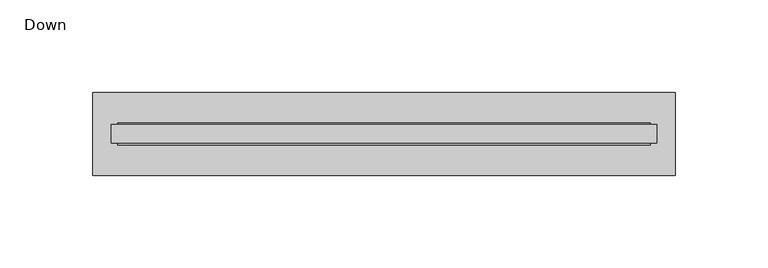
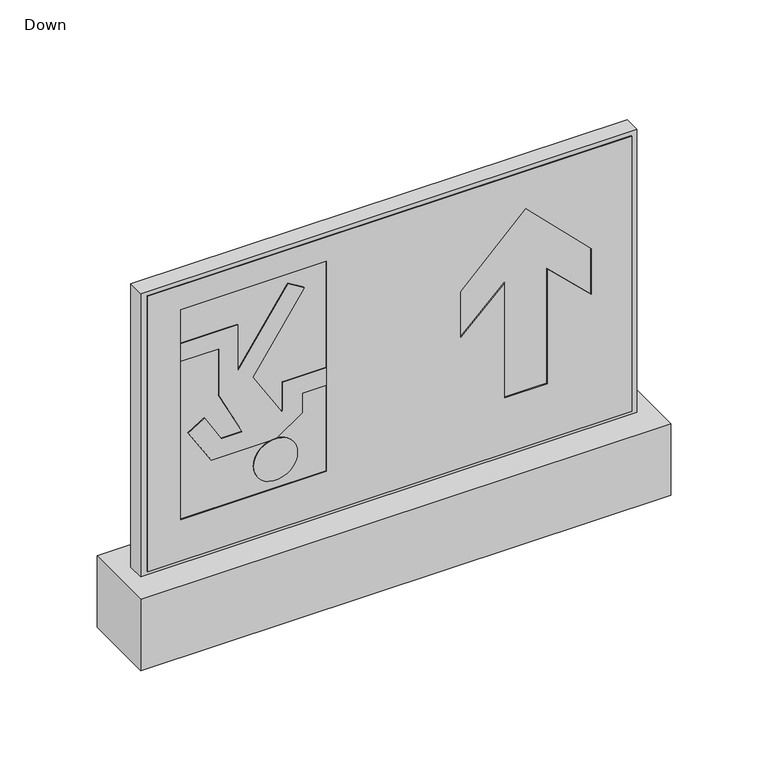
"""IFC4 building model written with IfcOpenShell, lengths in millimetres: light fixture geometry, Down."""

from ifc_helpers import new_model, si_unit, point, frame, frame_2d, origin, origin_with_axes, place, context, project, spatial, polyline, circle_curve, trimmed, segment, composite_curve, outline, extrude, source, transform, mapped, element, save


def down_f19adb04(model_context):
    return source(origin(), model_context, "Body", "SweptSolid", [
        extrude(outline(polyline([(147.5, 5.0), (147.5, -5.0), (-147.5, -5.0), (-147.5, 5.0), (147.5, 5.0)])), frame((0.0, 0.0, 45.0), z_axis=(0.0, 0.0, 1.0), x_axis=(1.0, 0.0, 0.0)), (0.0, 0.0, 1.0), 178.0),
        extrude(outline(polyline([(157.5, 22.5), (157.5, -22.5), (-157.5, -22.5), (-157.5, 22.5), (157.5, 22.5)])), origin_with_axes(), (0.0, 0.0, 1.0), 45.0),
        extrude(outline(composite_curve([segment(trimmed(circle_curve(frame_2d((91.4617049, -67.8544593)), 13.0), [point((91.4617049, -80.8544593))], [point((91.4617049, -54.8544593))], False, "CARTESIAN"), True, "CONTINUOUS"), segment(trimmed(circle_curve(frame_2d((91.4617049, -67.8544593)), 13.0), [point((91.4617049, -54.8544593))], [point((91.4617049, -80.8544593))], False, "CARTESIAN"), True, "CONTINUOUS")], self_intersect=False)), frame((0.0, -6.0, 0.0), z_axis=(0.0, 1.0, 0.0), x_axis=(0.0, 0.0, 1.0)), (0.0, 0.0, 1.0), 12.0),
        extrude(outline(polyline([(127.3976962, -52.0232796), (127.3976962, -37.6123637), (138.3976962, -37.6123637), (138.3976962, -63.6123637), (120.858827, -63.6123637), (120.2584024, -64.2127883), (147.9449912, -81.5132891), (193.5420577, -50.7576794), (199.3625192, -60.4445541), (154.8643683, -90.4589358), (183.8984821, -90.4589358), (183.8984821, -124.1079391), (172.8984821, -124.1079391), (172.8984821, -101.4589358), (142.8984821, -101.4589358), (115.7344261, -87.618158), (115.7344261, -100.1323433), (132.1954016, -110.0230953), (126.1388867, -119.7155451), (104.4617049, -106.1701386), (104.4617049, -67.8601632), (115.1438178, -52.0232796), (127.3976962, -52.0232796)])), frame((0.0, -6.0, 0.0), z_axis=(0.0, 1.0, 0.0), x_axis=(0.0, 0.0, 1.0)), (0.0, 0.0, 1.0), 12.0),
        extrude(outline(polyline([(47.5, -143.8582677), (47.5, 143.8582677), (220.5, 143.8582677), (220.5, -143.8582677), (47.5, -143.8582677)]), holes=[polyline([(196.96472, 80.9344351), (158.2229761, 119.676179), (129.6054739, 119.676179), (154.8241001, 93.5615272), (82.618089, 93.5615272), (82.618089, 68.3073429), (154.8241001, 68.3073429), (129.6054739, 42.1926911), (158.2229761, 42.1926911), (196.96472, 80.9344351)]), polyline([(73.3740017, -124.1079391), (205.3740017, -124.1079391), (205.3740017, -37.6123637), (73.3740017, -37.6123637), (73.3740017, -124.1079391)])]), frame((0.0, -6.0, 0.0), z_axis=(0.0, 1.0, 0.0), x_axis=(0.0, 0.0, 1.0)), (0.0, 0.0, 1.0), 12.0),
    ])


if __name__ == "__main__":
    model = new_model("IFC4")
    model_context = context("Model", 3, world=origin())
    ifc_project = project(units=[si_unit("LENGTHUNIT", "METRE", prefix="MILLI")], contexts=[model_context])
    site = spatial("IfcSite", under=ifc_project)
    building = spatial("IfcBuilding", under=site)
    placement = place(None, origin())
    down_shape = down_f19adb04(model_context)
    element("IfcLightFixture", 1, ObjectType="Down", at=placement, inside=building, context=model_context, shape_type="MappedRepresentation", body=[
        mapped(down_shape, transform((0.0, 0.0, 0.0), x_axis=(1.0, 0.0, 0.0), y_axis=(0.0, 1.0, 0.0), z_axis=(0.0, 0.0, 1.0))),
    ])
    save(model, "model.ifc")
